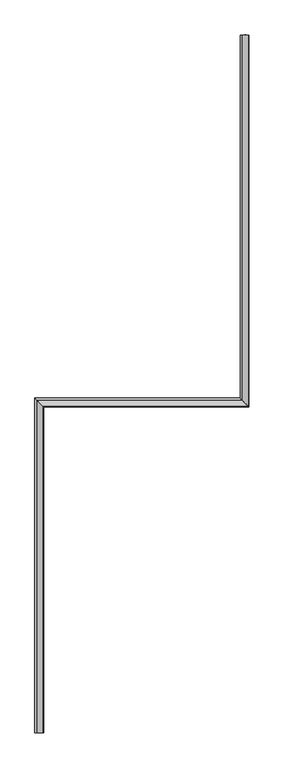
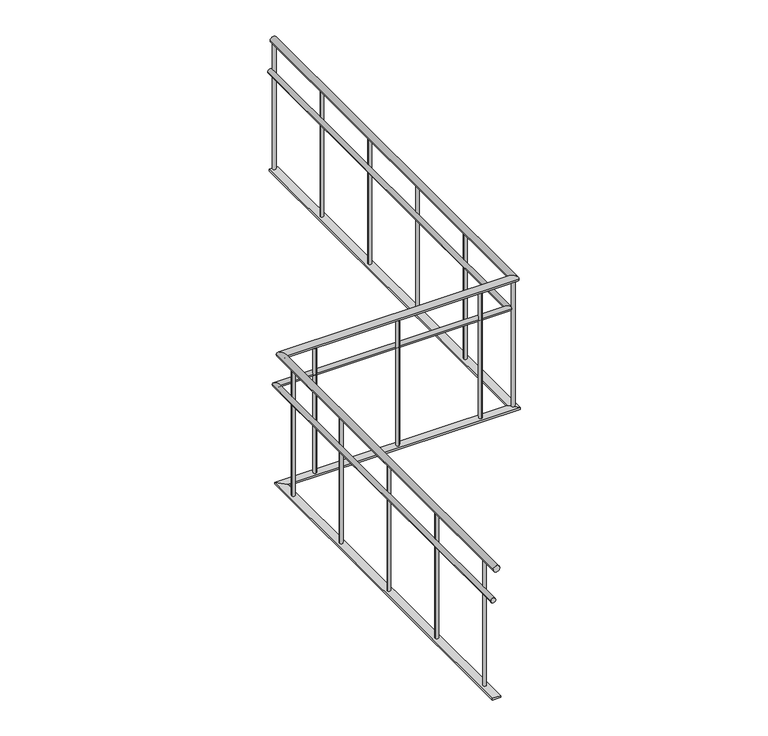
"""IFC4 building model written with IfcOpenShell, lengths in millimetres: railing geometry."""

from ifc_helpers import new_model, si_unit, point, frame, frame_2d, origin, place, context, project, spatial, circle_curve, ellipse_curve, trimmed, segment, composite_curve, outline, extrude, faceted_brep, source, transform, mapped, element, save
from ifc_brep_helpers import plane_surface, cylinder_surface, advanced_brep


def railing_d7cd7032(model_context):
    return source(origin(), model_context, "Body", "SolidModel", [
        advanced_brep(
        [(-46570.9937665, 5668.1079487, 880.0), (-46610.9937665, 5668.1079487, 880.0), (-46570.9937665, 3133.1270954, 880.0), (-46610.9937665, 3173.1270954, 880.0), (-47974.9887159, 3133.1270954, 880.0), (-48014.9887159, 3173.1270954, 880.0), (-47974.9887159, 903.1079487, 880.0), (-48014.9887159, 903.1079487, 880.0)],
        [
            (0, 1, circle_curve(frame((-46590.9937665, 5668.1079487, 880.0), z_axis=(0.0, 1.0, 0.0), x_axis=(-1.0, 0.0, 0.0)), 20.0)),
            (1, 0, circle_curve(frame((-46590.9937665, 5668.1079487, 880.0), z_axis=(0.0, 1.0, 0.0), x_axis=(-1.0, 0.0, 0.0)), 20.0)),
            (0, 2),
            (2, 3, ellipse_curve(frame((-46590.9937665, 3153.1270954, 880.0), z_axis=(0.7071067811865462, 0.7071067811865487, 0.0), x_axis=(-0.7071067811865486, 0.7071067811865464, 0.0)), 28.2842712, 20.0)),
            (3, 1),
            (3, 2, ellipse_curve(frame((-46590.9937665, 3153.1270954, 880.0), z_axis=(0.7071067811865462, 0.7071067811865487, 0.0), x_axis=(-0.7071067811865486, 0.7071067811865464, 0.0)), 28.2842712, 20.0)),
            (2, 4),
            (4, 5, ellipse_curve(frame((-47994.9887159, 3153.1270954, 880.0), z_axis=(0.7071067811865488, 0.7071067811865462, 0.0), x_axis=(0.7071067811865462, -0.7071067811865488, 0.0)), 28.2842712, 20.0)),
            (5, 3),
            (5, 4, ellipse_curve(frame((-47994.9887159, 3153.1270954, 880.0), z_axis=(0.7071067811865488, 0.7071067811865462, 0.0), x_axis=(0.7071067811865462, -0.7071067811865488, 0.0)), 28.2842712, 20.0)),
            (6, 7, circle_curve(frame((-47994.9887159, 903.1079487, 880.0), z_axis=(0.0, -1.0, 0.0), x_axis=(-1.0, 0.0, 0.0)), 20.0)),
            (7, 6, circle_curve(frame((-47994.9887159, 903.1079487, 880.0), z_axis=(0.0, -1.0, 0.0), x_axis=(-1.0, 0.0, 0.0)), 20.0)),
            (4, 6),
            (7, 5),
        ],
        [
            plane_surface(frame((-46590.9937665, 5668.1079487, 900.0), z_axis=(0.0, 1.0, 0.0), x_axis=(0.0, 0.0, -1.0))),
            cylinder_surface(frame((-46590.9937665, 5668.1079487, 880.0), z_axis=(0.0, 1.0, 0.0), x_axis=(-1.0, 0.0, 0.0)), 20.0),
            cylinder_surface(frame((-46590.9937665, 3153.1270954, 880.0), z_axis=(1.0, 0.0, 0.0), x_axis=(0.0, 1.0, 0.0)), 20.0),
            plane_surface(frame((-47994.9887159, 903.1079487, 900.0), z_axis=(0.0, -1.0, 0.0), x_axis=(0.0, 0.0, -1.0))),
            cylinder_surface(frame((-47994.9887159, 3153.1270954, 880.0), z_axis=(0.0, 1.0, 0.0), x_axis=(-1.0, 0.0, 0.0)), 20.0),
        ],
        [
            (0, [[1, 2]]),
            (1, [[-1, 3, 4, 5]]),
            (1, [[-2, -5, 6, -3]]),
            (2, [[-4, 7, 8, 9]]),
            (2, [[-6, -9, 10, -7]]),
            (3, [[11, 12]]),
            (4, [[-8, 13, -12, 14]]),
            (4, [[-10, -14, -11, -13]]),
        ],
    ),
        advanced_brep(
        [(-46595.9937665, 5668.1079487, 685.0), (-46625.9937665, 5668.1079487, 685.0), (-46595.9937665, 3158.1270954, 685.0), (-46625.9937665, 3188.1270954, 685.0), (-47999.9887159, 3158.1270954, 685.0), (-48029.9887159, 3188.1270954, 685.0), (-47999.9887159, 903.1079487, 685.0), (-48029.9887159, 903.1079487, 685.0)],
        [
            (0, 1, circle_curve(frame((-46610.9937665, 5668.1079487, 685.0), z_axis=(0.0, 1.0, 0.0), x_axis=(-1.0, 0.0, 0.0)), 15.0)),
            (1, 0, circle_curve(frame((-46610.9937665, 5668.1079487, 685.0), z_axis=(0.0, 1.0, 0.0), x_axis=(-1.0, 0.0, 0.0)), 15.0)),
            (0, 2),
            (2, 3, ellipse_curve(frame((-46610.9937665, 3173.1270954, 685.0), z_axis=(0.7071067811865462, 0.7071067811865487, 0.0), x_axis=(-0.7071067811865486, 0.7071067811865464, 0.0)), 21.2132034, 15.0)),
            (3, 1),
            (3, 2, ellipse_curve(frame((-46610.9937665, 3173.1270954, 685.0), z_axis=(0.7071067811865462, 0.7071067811865487, 0.0), x_axis=(-0.7071067811865486, 0.7071067811865464, 0.0)), 21.2132034, 15.0)),
            (2, 4),
            (4, 5, ellipse_curve(frame((-48014.9887159, 3173.1270954, 685.0), z_axis=(0.7071067811865488, 0.7071067811865462, 0.0), x_axis=(0.7071067811865462, -0.7071067811865488, 0.0)), 21.2132034, 15.0)),
            (5, 3),
            (5, 4, ellipse_curve(frame((-48014.9887159, 3173.1270954, 685.0), z_axis=(0.7071067811865488, 0.7071067811865462, 0.0), x_axis=(0.7071067811865462, -0.7071067811865488, 0.0)), 21.2132034, 15.0)),
            (6, 7, circle_curve(frame((-48014.9887159, 903.1079487, 685.0), z_axis=(0.0, -1.0, 0.0), x_axis=(-1.0, 0.0, 0.0)), 15.0)),
            (7, 6, circle_curve(frame((-48014.9887159, 903.1079487, 685.0), z_axis=(0.0, -1.0, 0.0), x_axis=(-1.0, 0.0, 0.0)), 15.0)),
            (4, 6),
            (7, 5),
        ],
        [
            plane_surface(frame((-46610.9937665, 5668.1079487, 700.0), z_axis=(0.0, 1.0, 0.0), x_axis=(0.0, 0.0, -1.0))),
            cylinder_surface(frame((-46610.9937665, 5668.1079487, 685.0), z_axis=(0.0, 1.0, 0.0), x_axis=(-1.0, 0.0, 0.0)), 15.0),
            cylinder_surface(frame((-46610.9937665, 3173.1270954, 685.0), z_axis=(1.0, 0.0, 0.0), x_axis=(0.0, 1.0, 0.0)), 15.0),
            plane_surface(frame((-48014.9887159, 903.1079487, 700.0), z_axis=(0.0, -1.0, 0.0), x_axis=(0.0, 0.0, -1.0))),
            cylinder_surface(frame((-48014.9887159, 3173.1270954, 685.0), z_axis=(0.0, 1.0, 0.0), x_axis=(-1.0, 0.0, 0.0)), 15.0),
        ],
        [
            (0, [[1, 2]]),
            (1, [[-1, 3, 4, 5]]),
            (1, [[-2, -5, 6, -3]]),
            (2, [[-4, 7, 8, 9]]),
            (2, [[-6, -9, 10, -7]]),
            (3, [[11, 12]]),
            (4, [[-8, 13, -12, 14]]),
            (4, [[-10, -14, -11, -13]]),
        ],
    ),
        faceted_brep([(-46615.9937665, 5668.1079487, 60.0), (-46565.9937665, 5668.1079487, 60.0), (-46565.9937665, 5668.1079487, 50.0), (-46615.9937665, 5668.1079487, 50.0), (-46615.9937665, 3178.1270954, 60.0), (-46565.9937665, 3128.1270954, 60.0), (-46565.9937665, 3128.1270954, 50.0), (-46615.9937665, 3178.1270954, 50.0), (-48019.9887159, 3178.1270954, 60.0), (-47969.9887159, 3128.1270954, 60.0), (-47969.9887159, 3128.1270954, 50.0), (-48019.9887159, 3178.1270954, 50.0), (-48019.9887159, 903.1079487, 60.0), (-48019.9887159, 903.1079487, 50.0), (-47969.9887159, 903.1079487, 50.0), (-47969.9887159, 903.1079487, 60.0)], [[[0, 1, 2, 3]], [[1, 0, 4, 5]], [[2, 1, 5, 6]], [[3, 2, 6, 7]], [[0, 3, 7, 4]], [[5, 4, 8, 9]], [[6, 5, 9, 10]], [[7, 6, 10, 11]], [[4, 7, 11, 8]], [[12, 13, 14, 15]], [[9, 8, 12, 15]], [[10, 9, 15, 14]], [[11, 10, 14, 13]], [[8, 11, 13, 12]]]),
        extrude(outline(composite_curve([segment(trimmed(circle_curve(frame_2d((-47994.9887159, 1028.117522)), 10.0), [point((-47984.9887159, 1028.117522))], [point((-48004.9887159, 1028.117522))], False, "CARTESIAN"), True, "CONTINUOUS"), segment(trimmed(circle_curve(frame_2d((-47994.9887159, 1028.117522)), 10.0), [point((-48004.9887159, 1028.117522))], [point((-47984.9887159, 1028.117522))], False, "CARTESIAN"), True, "CONTINUOUS")], self_intersect=False)), frame((0.0, 0.0, 60.0), z_axis=(0.0, 0.0, 1.0), x_axis=(1.0, 0.0, 0.0)), (0.0, 0.0, 1.0), 800.0),
        extrude(outline(composite_curve([segment(trimmed(circle_curve(frame_2d((-47994.9887159, 1528.117522)), 10.0), [point((-47984.9887159, 1528.117522))], [point((-48004.9887159, 1528.117522))], False, "CARTESIAN"), True, "CONTINUOUS"), segment(trimmed(circle_curve(frame_2d((-47994.9887159, 1528.117522)), 10.0), [point((-48004.9887159, 1528.117522))], [point((-47984.9887159, 1528.117522))], False, "CARTESIAN"), True, "CONTINUOUS")], self_intersect=False)), frame((0.0, 0.0, 60.0), z_axis=(0.0, 0.0, 1.0), x_axis=(1.0, 0.0, 0.0)), (0.0, 0.0, 1.0), 800.0),
        extrude(outline(composite_curve([segment(trimmed(circle_curve(frame_2d((-47994.9887159, 2028.117522)), 10.0), [point((-47984.9887159, 2028.117522))], [point((-48004.9887159, 2028.117522))], False, "CARTESIAN"), True, "CONTINUOUS"), segment(trimmed(circle_curve(frame_2d((-47994.9887159, 2028.117522)), 10.0), [point((-48004.9887159, 2028.117522))], [point((-47984.9887159, 2028.117522))], False, "CARTESIAN"), True, "CONTINUOUS")], self_intersect=False)), frame((0.0, 0.0, 60.0), z_axis=(0.0, 0.0, 1.0), x_axis=(1.0, 0.0, 0.0)), (0.0, 0.0, 1.0), 800.0),
        extrude(outline(composite_curve([segment(trimmed(circle_curve(frame_2d((-47994.9887159, 2528.117522)), 10.0), [point((-47984.9887159, 2528.117522))], [point((-48004.9887159, 2528.117522))], False, "CARTESIAN"), True, "CONTINUOUS"), segment(trimmed(circle_curve(frame_2d((-47994.9887159, 2528.117522)), 10.0), [point((-48004.9887159, 2528.117522))], [point((-47984.9887159, 2528.117522))], False, "CARTESIAN"), True, "CONTINUOUS")], self_intersect=False)), frame((0.0, 0.0, 60.0), z_axis=(0.0, 0.0, 1.0), x_axis=(1.0, 0.0, 0.0)), (0.0, 0.0, 1.0), 800.0),
        extrude(outline(composite_curve([segment(trimmed(circle_curve(frame_2d((-47994.9887159, 3028.117522)), 10.0), [point((-47984.9887159, 3028.117522))], [point((-48004.9887159, 3028.117522))], False, "CARTESIAN"), True, "CONTINUOUS"), segment(trimmed(circle_curve(frame_2d((-47994.9887159, 3028.117522)), 10.0), [point((-48004.9887159, 3028.117522))], [point((-47984.9887159, 3028.117522))], False, "CARTESIAN"), True, "CONTINUOUS")], self_intersect=False)), frame((0.0, 0.0, 60.0), z_axis=(0.0, 0.0, 1.0), x_axis=(1.0, 0.0, 0.0)), (0.0, 0.0, 1.0), 800.0),
        extrude(outline(composite_curve([segment(trimmed(circle_curve(frame_2d((-47792.9912412, 3153.1270954)), 10.0), [point((-47792.9912412, 3143.1270954))], [point((-47792.9912412, 3163.1270954))], False, "CARTESIAN"), True, "CONTINUOUS"), segment(trimmed(circle_curve(frame_2d((-47792.9912412, 3153.1270954)), 10.0), [point((-47792.9912412, 3163.1270954))], [point((-47792.9912412, 3143.1270954))], False, "CARTESIAN"), True, "CONTINUOUS")], self_intersect=False)), frame((0.0, 0.0, 60.0), z_axis=(0.0, 0.0, 1.0), x_axis=(1.0, 0.0, 0.0)), (0.0, 0.0, 1.0), 800.0),
        extrude(outline(composite_curve([segment(trimmed(circle_curve(frame_2d((-47292.9912412, 3153.1270954)), 10.0), [point((-47292.9912412, 3143.1270954))], [point((-47292.9912412, 3163.1270954))], False, "CARTESIAN"), True, "CONTINUOUS"), segment(trimmed(circle_curve(frame_2d((-47292.9912412, 3153.1270954)), 10.0), [point((-47292.9912412, 3163.1270954))], [point((-47292.9912412, 3143.1270954))], False, "CARTESIAN"), True, "CONTINUOUS")], self_intersect=False)), frame((0.0, 0.0, 60.0), z_axis=(0.0, 0.0, 1.0), x_axis=(1.0, 0.0, 0.0)), (0.0, 0.0, 1.0), 800.0),
        extrude(outline(composite_curve([segment(trimmed(circle_curve(frame_2d((-46792.9912412, 3153.1270954)), 10.0), [point((-46792.9912412, 3143.1270954))], [point((-46792.9912412, 3163.1270954))], False, "CARTESIAN"), True, "CONTINUOUS"), segment(trimmed(circle_curve(frame_2d((-46792.9912412, 3153.1270954)), 10.0), [point((-46792.9912412, 3163.1270954))], [point((-46792.9912412, 3143.1270954))], False, "CARTESIAN"), True, "CONTINUOUS")], self_intersect=False)), frame((0.0, 0.0, 60.0), z_axis=(0.0, 0.0, 1.0), x_axis=(1.0, 0.0, 0.0)), (0.0, 0.0, 1.0), 800.0),
        extrude(outline(composite_curve([segment(trimmed(circle_curve(frame_2d((-46590.9937665, 3160.617522)), 10.0), [point((-46580.9937665, 3160.617522))], [point((-46600.9937665, 3160.617522))], False, "CARTESIAN"), True, "CONTINUOUS"), segment(trimmed(circle_curve(frame_2d((-46590.9937665, 3160.617522)), 10.0), [point((-46600.9937665, 3160.617522))], [point((-46580.9937665, 3160.617522))], False, "CARTESIAN"), True, "CONTINUOUS")], self_intersect=False)), frame((0.0, 0.0, 60.0), z_axis=(0.0, 0.0, 1.0), x_axis=(1.0, 0.0, 0.0)), (0.0, 0.0, 1.0), 800.0),
        extrude(outline(composite_curve([segment(trimmed(circle_curve(frame_2d((-46590.9937665, 3660.617522)), 10.0), [point((-46580.9937665, 3660.617522))], [point((-46600.9937665, 3660.617522))], False, "CARTESIAN"), True, "CONTINUOUS"), segment(trimmed(circle_curve(frame_2d((-46590.9937665, 3660.617522)), 10.0), [point((-46600.9937665, 3660.617522))], [point((-46580.9937665, 3660.617522))], False, "CARTESIAN"), True, "CONTINUOUS")], self_intersect=False)), frame((0.0, 0.0, 60.0), z_axis=(0.0, 0.0, 1.0), x_axis=(1.0, 0.0, 0.0)), (0.0, 0.0, 1.0), 800.0),
        extrude(outline(composite_curve([segment(trimmed(circle_curve(frame_2d((-46590.9937665, 4160.617522)), 10.0), [point((-46580.9937665, 4160.617522))], [point((-46600.9937665, 4160.617522))], False, "CARTESIAN"), True, "CONTINUOUS"), segment(trimmed(circle_curve(frame_2d((-46590.9937665, 4160.617522)), 10.0), [point((-46600.9937665, 4160.617522))], [point((-46580.9937665, 4160.617522))], False, "CARTESIAN"), True, "CONTINUOUS")], self_intersect=False)), frame((0.0, 0.0, 60.0), z_axis=(0.0, 0.0, 1.0), x_axis=(1.0, 0.0, 0.0)), (0.0, 0.0, 1.0), 800.0),
        extrude(outline(composite_curve([segment(trimmed(circle_curve(frame_2d((-46590.9937665, 4660.617522)), 10.0), [point((-46580.9937665, 4660.617522))], [point((-46600.9937665, 4660.617522))], False, "CARTESIAN"), True, "CONTINUOUS"), segment(trimmed(circle_curve(frame_2d((-46590.9937665, 4660.617522)), 10.0), [point((-46600.9937665, 4660.617522))], [point((-46580.9937665, 4660.617522))], False, "CARTESIAN"), True, "CONTINUOUS")], self_intersect=False)), frame((0.0, 0.0, 60.0), z_axis=(0.0, 0.0, 1.0), x_axis=(1.0, 0.0, 0.0)), (0.0, 0.0, 1.0), 800.0),
        extrude(outline(composite_curve([segment(trimmed(circle_curve(frame_2d((-46590.9937665, 5160.617522)), 10.0), [point((-46580.9937665, 5160.617522))], [point((-46600.9937665, 5160.617522))], False, "CARTESIAN"), True, "CONTINUOUS"), segment(trimmed(circle_curve(frame_2d((-46590.9937665, 5160.617522)), 10.0), [point((-46600.9937665, 5160.617522))], [point((-46580.9937665, 5160.617522))], False, "CARTESIAN"), True, "CONTINUOUS")], self_intersect=False)), frame((0.0, 0.0, 60.0), z_axis=(0.0, 0.0, 1.0), x_axis=(1.0, 0.0, 0.0)), (0.0, 0.0, 1.0), 800.0),
        extrude(outline(composite_curve([segment(trimmed(circle_curve(frame_2d((-46590.9937665, 5660.617522)), 10.0), [point((-46580.9937665, 5660.617522))], [point((-46600.9937665, 5660.617522))], False, "CARTESIAN"), True, "CONTINUOUS"), segment(trimmed(circle_curve(frame_2d((-46590.9937665, 5660.617522)), 10.0), [point((-46600.9937665, 5660.617522))], [point((-46580.9937665, 5660.617522))], False, "CARTESIAN"), True, "CONTINUOUS")], self_intersect=False)), frame((0.0, 0.0, 60.0), z_axis=(0.0, 0.0, 1.0), x_axis=(1.0, 0.0, 0.0)), (0.0, 0.0, 1.0), 800.0),
    ])


if __name__ == "__main__":
    model = new_model("IFC4")
    model_context = context("Model", 3, world=origin())
    ifc_project = project(units=[si_unit("LENGTHUNIT", "METRE", prefix="MILLI")], contexts=[model_context])
    site = spatial("IfcSite", under=ifc_project)
    building = spatial("IfcBuilding", under=site)
    placement = place(None, origin())
    railing_shape = railing_d7cd7032(model_context)
    element("IfcRailing", 1, at=placement, inside=building, context=model_context, shape_type="MappedRepresentation", body=[
        mapped(railing_shape, transform((0.0, 0.0, 0.0), x_axis=(1.0, 0.0, 0.0), y_axis=(0.0, 1.0, 0.0), z_axis=(0.0, 0.0, 1.0))),
    ])
    save(model, "model.ifc")
